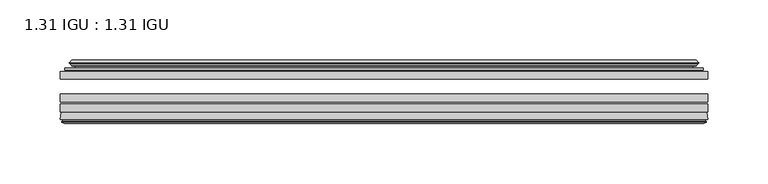
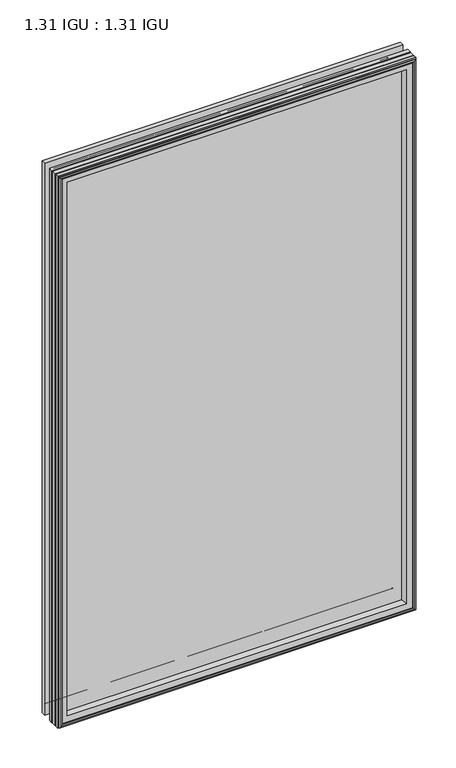
"""IFC4 building model written with IfcOpenShell, lengths in millimetres: plate geometry, 1.31 IGU : 1.31 IGU."""

from ifc_helpers import new_model, si_unit, frame, origin, place, context, project, spatial, polyline, ellipse_curve, outline, extrude, source, transform, mapped, element, save
from ifc_brep_helpers import plane_surface, cylinder_surface, revolved_surface, advanced_brep


def plate_1_31_igu_1_31_igu_a2a8deb7(model_context):
    return source(origin(), model_context, "Body", "SolidModel", [
        extrude(outline(polyline([(268.2205532, -51.7723437), (268.2205532, -58.1223438), (-268.2875, -58.1223438), (-268.2875, -51.7723437), (268.2205532, -51.7723437)])), frame((0.0, 0.0, -14.2875), z_axis=(0.0, 0.0, 1.0), x_axis=(1.0, 0.0, 0.0)), (0.0, 0.0, 1.0), 873.125),
        extrude(outline(polyline([(-268.2875, -85.4273438), (-268.2875, -79.0773437), (268.2205532, -79.0773437), (268.2205532, -85.4273438), (-268.2875, -85.4273438)])), frame((0.0, 0.0, -14.2875), z_axis=(0.0, 0.0, 1.0), x_axis=(1.0, 0.0, 0.0)), (0.0, 0.0, 1.0), 873.125),
        extrude(outline(polyline([(-268.2875, -77.1723438), (-268.2875, -70.8223438), (268.2205532, -70.8223438), (268.2205532, -77.1723438), (-268.2875, -77.1723438)])), frame((0.0, 0.0, -14.2875), z_axis=(0.0, 0.0, 1.0), x_axis=(1.0, 0.0, 0.0)), (0.0, 0.0, 1.0), 873.125),
        advanced_brep(
        [(-268.3002, -91.7773437, 858.8502), (-267.6054162, -86.1187838, 858.1554162), (-267.6054162, -86.1187838, -13.6054162), (-268.3002, -91.7773437, -14.3002), (-265.9126, -93.768408, 856.4626), (-266.3698, -91.7773437, 856.9198), (-266.3698, -91.7773437, -12.3698), (-265.9126, -93.768408, -11.9126), (-266.9139619, -93.5000939, 857.4639619), (-266.9139619, -93.5000939, -12.9139619), (-267.1572, -94.407871, 857.7072), (-267.1572, -94.407871, -13.1572), (-265.1252, -94.9523437, 855.6752), (-265.1252, -94.9523437, -11.1252), (-263.0932, -94.407871, 853.6432), (-263.0932, -94.407871, -9.0932), (-263.3364381, -93.5000939, 853.8864381), (-263.3364381, -93.5000939, -9.3364381), (-264.3378, -93.768408, 854.8878), (-264.3378, -93.768408, -10.3378), (-263.8806, -91.7773437, 854.4306), (-263.8806, -91.7773437, -9.8806), (-249.8109786, -85.4273437, 840.3609786), (-254.0, -91.7773437, 844.55), (-254.0, -91.7773437, 0.0), (-249.8109786, -85.4273437, 4.1890214), (-266.8238854, -85.4273437, 857.3738854), (-266.8238854, -85.4273437, -12.8238854), (267.6054162, -86.1187838, -13.6054162), (268.3002, -91.7773437, -14.3002), (266.3698, -91.7773437, -12.3698), (265.9126, -93.768408, -11.9126), (266.9139619, -93.5000939, -12.9139619), (267.1572, -94.407871, -13.1572), (265.1252, -94.9523437, -11.1252), (263.0932, -94.407871, -9.0932), (263.3364381, -93.5000939, -9.3364381), (264.3378, -93.768408, -10.3378), (263.8806, -91.7773437, -9.8806), (254.0, -91.7773437, 0.0), (249.8109786, -85.4273437, 4.1890214), (266.8238854, -85.4273437, -12.8238854), (267.6054162, -86.1187838, 858.1554162), (268.3002, -91.7773437, 858.8502), (266.3698, -91.7773437, 856.9198), (265.9126, -93.768408, 856.4626), (266.9139619, -93.5000939, 857.4639619), (267.1572, -94.407871, 857.7072), (265.1252, -94.9523437, 855.6752), (263.0932, -94.407871, 853.6432), (263.3364381, -93.5000939, 853.8864381), (264.3378, -93.768408, 854.8878), (263.8806, -91.7773437, 854.4306), (254.0, -91.7773437, 844.55), (249.8109786, -85.4273437, 840.3609786), (266.8238854, -85.4273437, 857.3738854)],
        [
            (0, 1),
            (1, 2),
            (2, 3),
            (3, 0),
            (4, 5),
            (5, 6),
            (6, 7),
            (7, 4),
            (8, 4),
            (7, 9),
            (9, 8),
            (10, 8),
            (9, 11),
            (11, 10),
            (12, 10),
            (11, 13),
            (13, 12),
            (14, 12),
            (13, 15),
            (15, 14),
            (16, 14),
            (15, 17),
            (17, 16),
            (18, 16),
            (17, 19),
            (19, 18),
            (20, 18),
            (19, 21),
            (21, 20),
            (22, 23, ellipse_curve(frame((-247.016106, -91.8278132, 837.566106), z_axis=(0.7071067811865475, 0.0, 0.7071067811865475), x_axis=(0.7071067811865474, 0.0, -0.7071067811865476)), 9.8769754, 6.9840763)),
            (23, 24),
            (24, 25, ellipse_curve(frame((-247.016106, -91.8278132, 6.983894), z_axis=(0.7071067811865475, 0.0, -0.7071067811865475), x_axis=(-0.7071067811865474, 0.0, -0.7071067811865476)), 9.8769754, 6.9840763)),
            (25, 22),
            (1, 26, ellipse_curve(frame((-266.8238854, -86.2147437, 857.3738854), z_axis=(-0.7071067811865475, 0.0, -0.7071067811865475), x_axis=(-0.7071067811865474, 0.0, 0.7071067811865476)), 1.1135518, 0.7874)),
            (26, 27),
            (27, 2, ellipse_curve(frame((-266.8238854, -86.2147437, -12.8238854), z_axis=(-0.7071067811865475, 0.0, 0.7071067811865475), x_axis=(0.7071067811865474, 0.0, 0.7071067811865476)), 1.1135518, 0.7874)),
            (2, 28),
            (28, 29),
            (29, 3),
            (6, 30),
            (30, 31),
            (31, 7),
            (31, 32),
            (32, 9),
            (32, 33),
            (33, 11),
            (33, 34),
            (34, 13),
            (34, 35),
            (35, 15),
            (35, 36),
            (36, 17),
            (36, 37),
            (37, 19),
            (37, 38),
            (38, 21),
            (24, 39),
            (39, 40, ellipse_curve(frame((247.016106, -91.8278132, 6.983894), z_axis=(0.7071067811865475, 0.0, 0.7071067811865475), x_axis=(0.7071067811865476, 0.0, -0.7071067811865474)), 9.8769754, 6.9840763)),
            (40, 25),
            (27, 41),
            (41, 28, ellipse_curve(frame((266.8238854, -86.2147437, -12.8238854), z_axis=(-0.7071067811865475, 0.0, -0.7071067811865475), x_axis=(-0.7071067811865476, 0.0, 0.7071067811865474)), 1.1135518, 0.7874)),
            (28, 42),
            (42, 43),
            (43, 29),
            (30, 44),
            (44, 45),
            (45, 31),
            (45, 46),
            (46, 32),
            (46, 47),
            (47, 33),
            (47, 48),
            (48, 34),
            (48, 49),
            (49, 35),
            (49, 50),
            (50, 36),
            (50, 51),
            (51, 37),
            (51, 52),
            (52, 38),
            (39, 53),
            (53, 54, ellipse_curve(frame((247.016106, -91.8278132, 837.566106), z_axis=(-0.7071067811865475, 0.0, 0.7071067811865475), x_axis=(0.7071067811865474, 0.0, 0.7071067811865476)), 9.8769754, 6.9840763)),
            (54, 40),
            (41, 55),
            (55, 42, ellipse_curve(frame((266.8238854, -86.2147437, 857.3738854), z_axis=(0.7071067811865475, 0.0, -0.7071067811865475), x_axis=(-0.7071067811865474, 0.0, -0.7071067811865476)), 1.1135518, 0.7874)),
            (42, 1),
            (0, 43),
            (5, 44),
            (4, 45),
            (8, 46),
            (10, 47),
            (12, 48),
            (14, 49),
            (16, 50),
            (18, 51),
            (20, 52),
            (23, 53),
            (22, 54),
            (26, 55),
        ],
        [
            plane_surface(frame((-267.6054162, -86.1187838, 858.1554162), z_axis=(-0.9925461516413241, 0.12186934340513107, 0.0), x_axis=(0.0, 0.0, -1.0))),
            plane_surface(frame((-266.3698, -91.7773437, 856.9198), z_axis=(-0.9746347637895992, -0.2238014236165451, 0.0), x_axis=(0.0, 0.0, -1.0))),
            plane_surface(frame((-265.9126, -93.768408, 856.4626), z_axis=(0.2588190451026679, 0.9659258262890289, 0.0), x_axis=(0.0, 0.0, -1.0))),
            plane_surface(frame((-266.9139619, -93.5000939, 857.4639619), z_axis=(-0.9659258262890449, 0.25881904510260834, 0.0), x_axis=(0.0, 0.0, -1.0))),
            plane_surface(frame((-267.1572, -94.407871, 857.7072), z_axis=(-0.2588190451025046, -0.9659258262890726, 0.0), x_axis=(0.0, 0.0, -1.0))),
            plane_surface(frame((-265.1252, -94.9523437, 855.6752), z_axis=(0.25881904510247894, -0.9659258262890795, 0.0), x_axis=(0.0, 0.0, -1.0))),
            plane_surface(frame((-263.0932, -94.407871, 853.6432), z_axis=(0.9659258262890272, 0.258819045102674, 0.0), x_axis=(0.0, 0.0, -1.0))),
            plane_surface(frame((-263.3364381, -93.5000939, 853.8864381), z_axis=(-0.2588190451023417, 0.9659258262891163, 0.0), x_axis=(0.0, 0.0, -1.0))),
            plane_surface(frame((-264.3378, -93.768408, 854.8878), z_axis=(0.9746347637895936, -0.2238014236165695, 0.0), x_axis=(0.0, 0.0, -1.0))),
            revolved_surface(polyline([(-254.0001823, -91.8278132, -0.00018228295277822326), (-254.0001823, -91.8278132, 844.5501822829527)]), (-247.016106, -91.8278132, 876.3), (0.0, 0.0, -1.0)),
            cylinder_surface(frame((-266.8238854, -86.2147437, 876.3), z_axis=(0.0, 0.0, 1.0), x_axis=(-1.0, 0.0, 0.0)), 0.7874),
            plane_surface(frame((-267.6054162, -86.1187838, -13.6054162), z_axis=(0.0, 0.12186934340512784, -0.9925461516413245), x_axis=(1.0, 0.0, 0.0))),
            plane_surface(frame((-266.3698, -91.7773437, -12.3698), z_axis=(0.0, -0.22380142361654826, -0.9746347637895985), x_axis=(1.0, 0.0, 0.0))),
            plane_surface(frame((-265.9126, -93.768408, -11.9126), z_axis=(0.0, 0.9659258262890298, 0.25881904510266474), x_axis=(1.0, 0.0, 0.0))),
            plane_surface(frame((-266.9139619, -93.5000939, -12.9139619), z_axis=(0.0, 0.25881904510260517, -0.9659258262890458), x_axis=(1.0, 0.0, 0.0))),
            plane_surface(frame((-267.1572, -94.407871, -13.1572), z_axis=(0.0, -0.9659258262890735, -0.2588190451025014), x_axis=(1.0, 0.0, 0.0))),
            plane_surface(frame((-265.1252, -94.9523437, -11.1252), z_axis=(0.0, -0.9659258262890786, 0.2588190451024821), x_axis=(1.0, 0.0, 0.0))),
            plane_surface(frame((-263.0932, -94.407871, -9.0932), z_axis=(0.0, 0.2588190451026772, 0.9659258262890265), x_axis=(1.0, 0.0, 0.0))),
            plane_surface(frame((-263.3364381, -93.5000939, -9.3364381), z_axis=(0.0, 0.9659258262891154, -0.2588190451023449), x_axis=(1.0, 0.0, 0.0))),
            plane_surface(frame((-264.3378, -93.768408, -10.3378), z_axis=(0.0, -0.22380142361656633, 0.9746347637895943), x_axis=(1.0, 0.0, 0.0))),
            revolved_surface(polyline([(254.00018228295278, -91.8278132, -0.00018229999999963553), (-254.00018228295272, -91.8278132, -0.00018229999999963553)]), (-285.75, -91.8278132, 6.983894), (1.0, 0.0, 0.0)),
            cylinder_surface(frame((-285.75, -86.2147437, -12.8238854), z_axis=(-1.0, 0.0, 0.0), x_axis=(0.0, 0.0, -1.0)), 0.7874),
            plane_surface(frame((267.6054162, -86.1187838, -13.6054162), z_axis=(0.992546151641325, 0.1218693434051246, 0.0), x_axis=(0.0, 0.0, 1.0))),
            plane_surface(frame((266.3698, -91.7773437, -12.3698), z_axis=(0.9746347637895977, -0.22380142361655142, 0.0), x_axis=(0.0, 0.0, 1.0))),
            plane_surface(frame((265.9126, -93.768408, -11.9126), z_axis=(-0.25881904510266157, 0.9659258262890307, 0.0), x_axis=(0.0, 0.0, 1.0))),
            plane_surface(frame((266.9139619, -93.5000939, -12.9139619), z_axis=(0.9659258262890467, 0.258819045102602, 0.0), x_axis=(0.0, 0.0, 1.0))),
            plane_surface(frame((267.1572, -94.407871, -13.1572), z_axis=(0.25881904510249826, -0.9659258262890744, 0.0), x_axis=(0.0, 0.0, 1.0))),
            plane_surface(frame((265.1252, -94.9523437, -11.1252), z_axis=(-0.2588190451024853, -0.9659258262890779, 0.0), x_axis=(0.0, 0.0, 1.0))),
            plane_surface(frame((263.0932, -94.407871, -9.0932), z_axis=(-0.9659258262890256, 0.2588190451026804, 0.0), x_axis=(0.0, 0.0, 1.0))),
            plane_surface(frame((263.3364381, -93.5000939, -9.3364381), z_axis=(0.2588190451023481, 0.9659258262891146, 0.0), x_axis=(0.0, 0.0, 1.0))),
            plane_surface(frame((264.3378, -93.768408, -10.3378), z_axis=(-0.9746347637895951, -0.22380142361656316, 0.0), x_axis=(0.0, 0.0, 1.0))),
            revolved_surface(polyline([(254.0001823, -91.8278132, 844.5501822829527), (254.0001823, -91.8278132, -0.0001822829527107217)]), (247.016106, -91.8278132, -31.75), (0.0, 0.0, 1.0)),
            cylinder_surface(frame((266.8238854, -86.2147437, -31.75), z_axis=(0.0, 0.0, -1.0), x_axis=(1.0, 0.0, 0.0)), 0.7874),
            plane_surface(frame((267.6054162, -86.1187838, 858.1554162), z_axis=(0.0, 0.12186934340512784, 0.9925461516413245), x_axis=(-1.0, 0.0, 0.0))),
            plane_surface(frame((268.3002, -91.7773437, 858.8502), z_axis=(0.0, -1.0, 0.0), x_axis=(-1.0, 0.0, 0.0))),
            plane_surface(frame((266.3698, -91.7773437, 856.9198), z_axis=(0.0, -0.22380142361654826, 0.9746347637895985), x_axis=(-1.0, 0.0, 0.0))),
            plane_surface(frame((265.9126, -93.768408, 856.4626), z_axis=(0.0, 0.9659258262890298, -0.25881904510266474), x_axis=(-1.0, 0.0, 0.0))),
            plane_surface(frame((266.9139619, -93.5000939, 857.4639619), z_axis=(0.0, 0.25881904510260517, 0.9659258262890458), x_axis=(-1.0, 0.0, 0.0))),
            plane_surface(frame((267.1572, -94.407871, 857.7072), z_axis=(0.0, -0.9659258262890735, 0.2588190451025014), x_axis=(-1.0, 0.0, 0.0))),
            plane_surface(frame((265.1252, -94.9523437, 855.6752), z_axis=(0.0, -0.9659258262890787, -0.25881904510248216), x_axis=(-1.0, 0.0, 0.0))),
            plane_surface(frame((263.0932, -94.407871, 853.6432), z_axis=(0.0, 0.2588190451026772, -0.9659258262890265), x_axis=(-1.0, 0.0, 0.0))),
            plane_surface(frame((263.3364381, -93.5000939, 853.8864381), z_axis=(0.0, 0.9659258262891155, 0.25881904510234494), x_axis=(-1.0, 0.0, 0.0))),
            plane_surface(frame((264.3378, -93.768408, 854.8878), z_axis=(0.0, -0.22380142361656633, -0.9746347637895943), x_axis=(-1.0, 0.0, 0.0))),
            plane_surface(frame((263.8806, -91.7773437, 854.4306), z_axis=(0.0, -1.0, 0.0), x_axis=(-1.0, 0.0, 0.0))),
            revolved_surface(polyline([(-254.00018228295278, -91.8278132, 844.5501823), (254.00018228295272, -91.8278132, 844.5501823)]), (285.75, -91.8278132, 837.566106), (-1.0, 0.0, 0.0)),
            plane_surface(frame((249.8109786, -85.4273437, 840.3609786), z_axis=(0.0, 1.0, 0.0), x_axis=(-1.0, 0.0, 0.0))),
            cylinder_surface(frame((285.75, -86.2147437, 857.3738854), z_axis=(1.0, 0.0, 0.0), x_axis=(0.0, 0.0, 1.0)), 0.7874),
        ],
        [
            (0, [[1, 2, 3, 4]]),
            (1, [[5, 6, 7, 8]]),
            (2, [[9, -8, 10, 11]]),
            (3, [[12, -11, 13, 14]]),
            (4, [[15, -14, 16, 17]]),
            (5, [[18, -17, 19, 20]]),
            (6, [[21, -20, 22, 23]]),
            (7, [[24, -23, 25, 26]]),
            (8, [[27, -26, 28, 29]]),
            (9, [[30, 31, 32, 33]]),
            (10, [[34, 35, 36, -2]]),
            (11, [[-3, 37, 38, 39]]),
            (12, [[-7, 40, 41, 42]]),
            (13, [[-10, -42, 43, 44]]),
            (14, [[-13, -44, 45, 46]]),
            (15, [[-16, -46, 47, 48]]),
            (16, [[-19, -48, 49, 50]]),
            (17, [[-22, -50, 51, 52]]),
            (18, [[-25, -52, 53, 54]]),
            (19, [[-28, -54, 55, 56]]),
            (20, [[-32, 57, 58, 59]]),
            (21, [[-36, 60, 61, -37]]),
            (22, [[-38, 62, 63, 64]]),
            (23, [[-41, 65, 66, 67]]),
            (24, [[-43, -67, 68, 69]]),
            (25, [[-45, -69, 70, 71]]),
            (26, [[-47, -71, 72, 73]]),
            (27, [[-49, -73, 74, 75]]),
            (28, [[-51, -75, 76, 77]]),
            (29, [[-53, -77, 78, 79]]),
            (30, [[-55, -79, 80, 81]]),
            (31, [[-58, 82, 83, 84]]),
            (32, [[-61, 85, 86, -62]]),
            (33, [[-63, 87, -1, 88]]),
            (34, [[-39, -64, -88, -4], [89, -65, -40, -6]]),
            (35, [[-66, -89, -5, 90]]),
            (36, [[-68, -90, -9, 91]]),
            (37, [[-70, -91, -12, 92]]),
            (38, [[-72, -92, -15, 93]]),
            (39, [[-74, -93, -18, 94]]),
            (40, [[-76, -94, -21, 95]]),
            (41, [[-78, -95, -24, 96]]),
            (42, [[-80, -96, -27, 97]]),
            (43, [[-56, -81, -97, -29], [98, -82, -57, -31]]),
            (44, [[-83, -98, -30, 99]]),
            (45, [[100, -85, -60, -35], [-59, -84, -99, -33]]),
            (46, [[-86, -100, -34, -87]]),
        ],
    ),
        advanced_brep(
        [(-249.9522902, -50.6812421, 840.5022902), (-250.3941004, -51.7723437, 840.9441004), (-250.3941004, -51.7723437, 3.6058996), (-249.9522902, -50.6812421, 4.0477098), (-254.0, -42.9585437, 844.55), (-254.0, -42.9585437, 0.0), (-259.1859109, -44.1396428, 849.7359109), (-259.1859109, -44.1396428, -5.1859109), (-258.8563356, -43.3125262, 849.4063356), (-258.8563356, -43.3125262, -4.8563356), (-258.8563356, -42.4982749, 849.4063356), (-258.8563356, -42.4982749, -4.8563356), (-260.6726111, -44.4569108, 851.2226111), (-260.6726111, -44.4569108, -6.6726111), (-260.6726111, -45.1700367, 851.2226111), (-260.6726111, -45.1700367, -6.6726111), (-258.8563356, -47.1188911, 849.4063356), (-258.8563356, -47.1188911, -4.8563356), (-258.8563356, -46.3144213, 849.4063356), (-258.8563356, -46.3144213, -4.8563356), (-259.1782501, -45.5065305, 849.7282501), (-259.1782501, -45.5065305, -5.1782501), (-256.6544379, -45.3481387, 847.2044379), (-256.6544379, -45.3481387, -2.6544379), (-255.6286217, -46.0358481, 846.1786217), (-255.6286217, -46.0358481, -1.6286217), (-255.7470288, -47.4303169, 846.2970288), (-255.7470288, -47.4303169, -1.7470288), (-256.3487748, -48.9275437, 846.8987748), (-256.3487748, -48.9275437, -2.3487748), (-264.2745553, -50.8359667, 854.8245553), (-263.7889245, -48.9275437, 854.3389245), (-263.7889245, -48.9275437, -9.7889245), (-264.2745553, -50.8359667, -10.2745553), (-262.5538155, -51.7723437, 853.1038155), (-262.5538155, -51.7723437, -8.5538155), (250.3941004, -51.7723437, 3.6058996), (249.9522902, -50.6812421, 4.0477098), (254.0, -42.9585437, 0.0), (259.1859109, -44.1396428, -5.1859109), (258.8563356, -43.3125262, -4.8563356), (258.8563356, -42.4982749, -4.8563356), (260.6726111, -44.4569108, -6.6726111), (260.6726111, -45.1700367, -6.6726111), (258.8563356, -47.1188911, -4.8563356), (258.8563356, -46.3144213, -4.8563356), (259.1782501, -45.5065305, -5.1782501), (256.6544379, -45.3481387, -2.6544379), (255.6286217, -46.0358481, -1.6286217), (255.7470288, -47.4303169, -1.7470288), (256.3487748, -48.9275437, -2.3487748), (263.7889245, -48.9275437, -9.7889245), (264.2745553, -50.8359667, -10.2745553), (262.5538155, -51.7723437, -8.5538155), (250.3941004, -51.7723437, 840.9441004), (249.9522902, -50.6812421, 840.5022902), (254.0, -42.9585437, 844.55), (259.1859109, -44.1396428, 849.7359109), (258.8563356, -43.3125262, 849.4063356), (258.8563356, -42.4982749, 849.4063356), (260.6726111, -44.4569108, 851.2226111), (260.6726111, -45.1700367, 851.2226111), (258.8563356, -47.1188911, 849.4063356), (258.8563356, -46.3144213, 849.4063356), (259.1782501, -45.5065305, 849.7282501), (256.6544379, -45.3481387, 847.2044379), (255.6286217, -46.0358481, 846.1786217), (255.7470288, -47.4303169, 846.2970288), (256.3487748, -48.9275437, 846.8987748), (263.7889245, -48.9275437, 854.3389245), (264.2745553, -50.8359667, 854.8245553), (262.5538155, -51.7723437, 853.1038155)],
        [
            (0, 1, ellipse_curve(frame((-250.3941004, -51.1373437, 840.9441004), z_axis=(-0.7071067811865475, 0.0, -0.7071067811865475), x_axis=(-0.7071067811865474, 0.0, 0.7071067811865476)), 0.8980256, 0.635)),
            (1, 2),
            (2, 3, ellipse_curve(frame((-250.3941004, -51.1373437, 3.6058996), z_axis=(-0.7071067811865475, 0.0, 0.7071067811865475), x_axis=(0.7071067811865474, 0.0, 0.7071067811865476)), 0.8980256, 0.635)),
            (3, 0),
            (4, 0, ellipse_curve(frame((-240.2672054, -40.6828682, 830.8172054), z_axis=(0.7071067811865475, 0.0, 0.7071067811865475), x_axis=(0.7071067811865474, 0.0, -0.7071067811865476)), 19.6859517, 13.9200699)),
            (3, 5, ellipse_curve(frame((-240.2672054, -40.6828682, 13.7327946), z_axis=(0.7071067811865475, 0.0, -0.7071067811865475), x_axis=(-0.7071067811865474, 0.0, -0.7071067811865476)), 19.6859517, 13.9200699)),
            (5, 4),
            (6, 4),
            (5, 7),
            (7, 6),
            (8, 6),
            (7, 9),
            (9, 8),
            (10, 8),
            (9, 11),
            (11, 10),
            (12, 10),
            (11, 13),
            (13, 12),
            (14, 12, ellipse_curve(frame((-260.3107729, -44.8134737, 850.8607729), z_axis=(-0.7071067811865475, 0.0, -0.7071067811865475), x_axis=(-0.7071067811865474, 0.0, 0.7071067811865476)), 0.7184205, 0.508)),
            (13, 15, ellipse_curve(frame((-260.3107729, -44.8134737, -6.3107729), z_axis=(-0.7071067811865475, 0.0, 0.7071067811865475), x_axis=(0.7071067811865474, 0.0, 0.7071067811865476)), 0.7184205, 0.508)),
            (15, 14),
            (16, 14),
            (15, 17),
            (17, 16),
            (18, 16),
            (17, 19),
            (19, 18),
            (20, 18),
            (19, 21),
            (21, 20),
            (22, 20),
            (21, 23),
            (23, 22),
            (24, 22, ellipse_curve(frame((-256.5908, -46.3621437, 847.1408), z_axis=(0.7071067811865475, 0.0, 0.7071067811865475), x_axis=(0.7071067811865474, 0.0, -0.7071067811865476)), 1.436841, 1.016)),
            (23, 25, ellipse_curve(frame((-256.5908, -46.3621437, -2.5908), z_axis=(0.7071067811865475, 0.0, -0.7071067811865475), x_axis=(-0.7071067811865474, 0.0, -0.7071067811865476)), 1.436841, 1.016)),
            (25, 24),
            (26, 24, ellipse_curve(frame((-257.9624, -46.5399437, 848.5124), z_axis=(0.7071067811865475, 0.0, 0.7071067811865475), x_axis=(0.7071067811865474, 0.0, -0.7071067811865476)), 3.3765763, 2.3876)),
            (25, 27, ellipse_curve(frame((-257.9624, -46.5399437, -3.9624), z_axis=(0.7071067811865475, 0.0, -0.7071067811865475), x_axis=(-0.7071067811865474, 0.0, -0.7071067811865476)), 3.3765763, 2.3876)),
            (27, 26),
            (28, 26),
            (27, 29),
            (29, 28),
            (30, 31, ellipse_curve(frame((-263.7889245, -49.9435437, 854.3389245), z_axis=(-0.7071067811865475, 0.0, -0.7071067811865475), x_axis=(-0.7071067811865474, 0.0, 0.7071067811865476)), 1.436841, 1.016)),
            (31, 32),
            (32, 33, ellipse_curve(frame((-263.7889245, -49.9435437, -9.7889245), z_axis=(-0.7071067811865475, 0.0, 0.7071067811865475), x_axis=(0.7071067811865474, 0.0, 0.7071067811865476)), 1.436841, 1.016)),
            (33, 30),
            (34, 30),
            (33, 35),
            (35, 34),
            (2, 36),
            (36, 37, ellipse_curve(frame((250.3941004, -51.1373437, 3.6058996), z_axis=(-0.7071067811865475, 0.0, -0.7071067811865475), x_axis=(-0.7071067811865476, 0.0, 0.7071067811865474)), 0.8980256, 0.635)),
            (37, 3),
            (37, 38, ellipse_curve(frame((240.2672054, -40.6828682, 13.7327946), z_axis=(0.7071067811865475, 0.0, 0.7071067811865475), x_axis=(0.7071067811865476, 0.0, -0.7071067811865474)), 19.6859517, 13.9200699)),
            (38, 5),
            (38, 39),
            (39, 7),
            (39, 40),
            (40, 9),
            (40, 41),
            (41, 11),
            (41, 42),
            (42, 13),
            (42, 43, ellipse_curve(frame((260.3107729, -44.8134737, -6.3107729), z_axis=(-0.7071067811865475, 0.0, -0.7071067811865475), x_axis=(-0.7071067811865476, 0.0, 0.7071067811865474)), 0.7184205, 0.508)),
            (43, 15),
            (43, 44),
            (44, 17),
            (44, 45),
            (45, 19),
            (45, 46),
            (46, 21),
            (46, 47),
            (47, 23),
            (47, 48, ellipse_curve(frame((256.5908, -46.3621437, -2.5908), z_axis=(0.7071067811865475, 0.0, 0.7071067811865475), x_axis=(0.7071067811865476, 0.0, -0.7071067811865474)), 1.436841, 1.016)),
            (48, 25),
            (48, 49, ellipse_curve(frame((257.9624, -46.5399437, -3.9624), z_axis=(0.7071067811865475, 0.0, 0.7071067811865475), x_axis=(0.7071067811865476, 0.0, -0.7071067811865474)), 3.3765763, 2.3876)),
            (49, 27),
            (49, 50),
            (50, 29),
            (32, 51),
            (51, 52, ellipse_curve(frame((263.7889245, -49.9435437, -9.7889245), z_axis=(-0.7071067811865475, 0.0, -0.7071067811865475), x_axis=(-0.7071067811865476, 0.0, 0.7071067811865474)), 1.436841, 1.016)),
            (52, 33),
            (52, 53),
            (53, 35),
            (36, 54),
            (54, 55, ellipse_curve(frame((250.3941004, -51.1373437, 840.9441004), z_axis=(0.7071067811865475, 0.0, -0.7071067811865475), x_axis=(-0.7071067811865474, 0.0, -0.7071067811865476)), 0.8980256, 0.635)),
            (55, 37),
            (55, 56, ellipse_curve(frame((240.2672054, -40.6828682, 830.8172054), z_axis=(-0.7071067811865475, 0.0, 0.7071067811865475), x_axis=(0.7071067811865474, 0.0, 0.7071067811865476)), 19.6859517, 13.9200699)),
            (56, 38),
            (56, 57),
            (57, 39),
            (57, 58),
            (58, 40),
            (58, 59),
            (59, 41),
            (59, 60),
            (60, 42),
            (60, 61, ellipse_curve(frame((260.3107729, -44.8134737, 850.8607729), z_axis=(0.7071067811865475, 0.0, -0.7071067811865475), x_axis=(-0.7071067811865474, 0.0, -0.7071067811865476)), 0.7184205, 0.508)),
            (61, 43),
            (61, 62),
            (62, 44),
            (62, 63),
            (63, 45),
            (63, 64),
            (64, 46),
            (64, 65),
            (65, 47),
            (65, 66, ellipse_curve(frame((256.5908, -46.3621437, 847.1408), z_axis=(-0.7071067811865475, 0.0, 0.7071067811865475), x_axis=(0.7071067811865474, 0.0, 0.7071067811865476)), 1.436841, 1.016)),
            (66, 48),
            (66, 67, ellipse_curve(frame((257.9624, -46.5399437, 848.5124), z_axis=(-0.7071067811865475, 0.0, 0.7071067811865475), x_axis=(0.7071067811865474, 0.0, 0.7071067811865476)), 3.3765763, 2.3876)),
            (67, 49),
            (67, 68),
            (68, 50),
            (51, 69),
            (69, 70, ellipse_curve(frame((263.7889245, -49.9435437, 854.3389245), z_axis=(0.7071067811865475, 0.0, -0.7071067811865475), x_axis=(-0.7071067811865474, 0.0, -0.7071067811865476)), 1.436841, 1.016)),
            (70, 52),
            (70, 71),
            (71, 53),
            (54, 1),
            (0, 55),
            (4, 56),
            (6, 57),
            (8, 58),
            (10, 59),
            (12, 60),
            (14, 61),
            (16, 62),
            (18, 63),
            (20, 64),
            (22, 65),
            (24, 66),
            (26, 67),
            (28, 68),
            (31, 69),
            (30, 70),
            (34, 71),
        ],
        [
            cylinder_surface(frame((-250.3941004, -51.1373437, 876.3), z_axis=(0.0, 0.0, 1.0), x_axis=(-1.0, 0.0, 0.0)), 0.635),
            revolved_surface(polyline([(-254.18727529999998, -40.6828682, -0.18727534118079348), (-254.18727529999998, -40.6828682, 844.7372753411809)]), (-240.2672054, -40.6828682, 876.3), (0.0, 0.0, -1.0)),
            plane_surface(frame((-254.0, -42.9585437, 844.55), z_axis=(-0.22206498442778802, 0.9750318675259215, 0.0), x_axis=(0.0, 0.0, -1.0))),
            plane_surface(frame((-259.1859109, -44.1396428, 849.7359109), z_axis=(0.9289682685629942, -0.3701593656833133, 0.0), x_axis=(0.0, 0.0, -1.0))),
            plane_surface(frame((-258.8563356, -43.3125262, 849.4063356), z_axis=(1.0, 0.0, 0.0), x_axis=(0.0, 0.0, -1.0))),
            plane_surface(frame((-258.8563356, -42.4982749, 849.4063356), z_axis=(-0.7332521292723948, 0.6799568478348456, 0.0), x_axis=(0.0, 0.0, -1.0))),
            cylinder_surface(frame((-260.3107729, -44.8134737, 876.3), z_axis=(0.0, 0.0, 1.0), x_axis=(-1.0, 0.0, 0.0)), 0.508),
            plane_surface(frame((-260.6726111, -45.1700367, 851.2226111), z_axis=(-0.7315522693036389, -0.6817853601220082, 0.0), x_axis=(0.0, 0.0, -1.0))),
            plane_surface(frame((-258.8563356, -47.1188911, 849.4063356), z_axis=(1.0, 0.0, 0.0), x_axis=(0.0, 0.0, -1.0))),
            plane_surface(frame((-258.8563356, -46.3144213, 849.4063356), z_axis=(0.9289682685631103, 0.37015936568302166, 0.0), x_axis=(0.0, 0.0, -1.0))),
            plane_surface(frame((-259.1782501, -45.5065305, 849.7282501), z_axis=(0.06263570119321643, -0.9980364567169048, 0.0), x_axis=(0.0, 0.0, -1.0))),
            revolved_surface(polyline([(-257.6068, -46.3621437, -3.606800014586838), (-257.6068, -46.3621437, 848.1568000145869)]), (-256.5908, -46.3621437, 876.3), (0.0, 0.0, -1.0)),
            revolved_surface(polyline([(-260.35, -46.5399437, -6.3499999989237494), (-260.35, -46.5399437, 850.8999999989237)]), (-257.9624, -46.5399437, 876.3), (0.0, 0.0, -1.0)),
            plane_surface(frame((-255.7470288, -47.4303169, 846.2970288), z_axis=(-0.927865292542892, 0.3729155385530262, 0.0), x_axis=(0.0, 0.0, -1.0))),
            cylinder_surface(frame((-263.7889245, -49.9435437, 876.3), z_axis=(0.0, 0.0, 1.0), x_axis=(-1.0, 0.0, 0.0)), 1.016),
            plane_surface(frame((-264.2745553, -50.8359667, 854.8245553), z_axis=(-0.477983117370979, -0.8783690223979446, 0.0), x_axis=(0.0, 0.0, -1.0))),
            cylinder_surface(frame((-285.75, -51.1373437, 3.6058996), z_axis=(-1.0, 0.0, 0.0), x_axis=(0.0, 0.0, -1.0)), 0.635),
            revolved_surface(polyline([(254.1872753411808, -40.6828682, -0.1872752999999996), (-254.18727534118085, -40.6828682, -0.1872752999999996)]), (-285.75, -40.6828682, 13.7327946), (1.0, 0.0, 0.0)),
            plane_surface(frame((-254.0, -42.9585437, 0.0), z_axis=(0.0, 0.9750318675259209, -0.2220649844277912), x_axis=(1.0, 0.0, 0.0))),
            plane_surface(frame((-259.1859109, -44.1396428, -5.1859109), z_axis=(0.0, -0.3701593656833103, 0.9289682685629954), x_axis=(1.0, 0.0, 0.0))),
            plane_surface(frame((-258.8563356, -43.3125262, -4.8563356), z_axis=(0.0, 0.0, 1.0), x_axis=(1.0, 0.0, 0.0))),
            plane_surface(frame((-258.8563356, -42.4982749, -4.8563356), z_axis=(0.0, 0.6799568478348431, -0.733252129272397), x_axis=(1.0, 0.0, 0.0))),
            cylinder_surface(frame((-285.75, -44.8134737, -6.3107729), z_axis=(-1.0, 0.0, 0.0), x_axis=(0.0, 0.0, -1.0)), 0.508),
            plane_surface(frame((-260.6726111, -45.1700367, -6.6726111), z_axis=(0.0, -0.6817853601220105, -0.7315522693036367), x_axis=(1.0, 0.0, 0.0))),
            plane_surface(frame((-258.8563356, -47.1188911, -4.8563356), z_axis=(0.0, 0.0, 1.0), x_axis=(1.0, 0.0, 0.0))),
            plane_surface(frame((-258.8563356, -46.3144213, -4.8563356), z_axis=(0.0, 0.37015936568302465, 0.9289682685631091), x_axis=(1.0, 0.0, 0.0))),
            plane_surface(frame((-259.1782501, -45.5065305, -5.1782501), z_axis=(0.0, -0.9980364567169046, 0.06263570119321968), x_axis=(1.0, 0.0, 0.0))),
            revolved_surface(polyline([(257.60680001458684, -46.3621437, -3.6068000000000002), (-257.60680001458684, -46.3621437, -3.6068000000000002)]), (-285.75, -46.3621437, -2.5908), (1.0, 0.0, 0.0)),
            revolved_surface(polyline([(260.34999999892375, -46.5399437, -6.35), (-260.3499999989238, -46.5399437, -6.35)]), (-285.75, -46.5399437, -3.9624), (1.0, 0.0, 0.0)),
            plane_surface(frame((-255.7470288, -47.4303169, -1.7470288), z_axis=(0.0, 0.37291553855302323, -0.9278652925428932), x_axis=(1.0, 0.0, 0.0))),
            cylinder_surface(frame((-285.75, -49.9435437, -9.7889245), z_axis=(-1.0, 0.0, 0.0), x_axis=(0.0, 0.0, -1.0)), 1.016),
            plane_surface(frame((-264.2745553, -50.8359667, -10.2745553), z_axis=(0.0, -0.8783690223979462, -0.47798311737097615), x_axis=(1.0, 0.0, 0.0))),
            cylinder_surface(frame((250.3941004, -51.1373437, -31.75), z_axis=(0.0, 0.0, -1.0), x_axis=(1.0, 0.0, 0.0)), 0.635),
            revolved_surface(polyline([(254.18727529999998, -40.6828682, 844.7372753411809), (254.18727529999998, -40.6828682, -0.1872753411808432)]), (240.2672054, -40.6828682, -31.75), (0.0, 0.0, 1.0)),
            plane_surface(frame((254.0, -42.9585437, 0.0), z_axis=(0.2220649844277944, 0.9750318675259202, 0.0), x_axis=(0.0, 0.0, 1.0))),
            plane_surface(frame((259.1859109, -44.1396428, -5.1859109), z_axis=(-0.9289682685629966, -0.3701593656833073, 0.0), x_axis=(0.0, 0.0, 1.0))),
            plane_surface(frame((258.8563356, -43.3125262, -4.8563356), z_axis=(-1.0, 0.0, 0.0), x_axis=(0.0, 0.0, 1.0))),
            plane_surface(frame((258.8563356, -42.4982749, -4.8563356), z_axis=(0.7332521292723992, 0.6799568478348407, 0.0), x_axis=(0.0, 0.0, 1.0))),
            cylinder_surface(frame((260.3107729, -44.8134737, -31.75), z_axis=(0.0, 0.0, -1.0), x_axis=(1.0, 0.0, 0.0)), 0.508),
            plane_surface(frame((260.6726111, -45.1700367, -6.6726111), z_axis=(0.7315522693036345, -0.6817853601220129, 0.0), x_axis=(0.0, 0.0, 1.0))),
            plane_surface(frame((258.8563356, -47.1188911, -4.8563356), z_axis=(-1.0, 0.0, 0.0), x_axis=(0.0, 0.0, 1.0))),
            plane_surface(frame((258.8563356, -46.3144213, -4.8563356), z_axis=(-0.928968268563108, 0.3701593656830277, 0.0), x_axis=(0.0, 0.0, 1.0))),
            plane_surface(frame((259.1782501, -45.5065305, -5.1782501), z_axis=(-0.06263570119322293, -0.9980364567169043, 0.0), x_axis=(0.0, 0.0, 1.0))),
            revolved_surface(polyline([(257.6068, -46.3621437, 848.1568000145869), (257.6068, -46.3621437, -3.606800014586863)]), (256.5908, -46.3621437, -31.75), (0.0, 0.0, 1.0)),
            revolved_surface(polyline([(260.35, -46.5399437, 850.8999999989237), (260.35, -46.5399437, -6.349999998923781)]), (257.9624, -46.5399437, -31.75), (0.0, 0.0, 1.0)),
            plane_surface(frame((255.7470288, -47.4303169, -1.7470288), z_axis=(0.9278652925428944, 0.37291553855302023, 0.0), x_axis=(0.0, 0.0, 1.0))),
            cylinder_surface(frame((263.7889245, -49.9435437, -31.75), z_axis=(0.0, 0.0, -1.0), x_axis=(1.0, 0.0, 0.0)), 1.016),
            plane_surface(frame((264.2745553, -50.8359667, -10.2745553), z_axis=(0.47798311737097327, -0.8783690223979478, 0.0), x_axis=(0.0, 0.0, 1.0))),
            cylinder_surface(frame((285.75, -51.1373437, 840.9441004), z_axis=(1.0, 0.0, 0.0), x_axis=(0.0, 0.0, 1.0)), 0.635),
            revolved_surface(polyline([(-254.1872753411808, -40.6828682, 844.7372753000001), (254.18727534118085, -40.6828682, 844.7372753000001)]), (285.75, -40.6828682, 830.8172054), (-1.0, 0.0, 0.0)),
            plane_surface(frame((254.0, -42.9585437, 844.55), z_axis=(0.0, 0.975031867525921, 0.22206498442779124), x_axis=(-1.0, 0.0, 0.0))),
            plane_surface(frame((259.1859109, -44.1396428, 849.7359109), z_axis=(0.0, -0.3701593656833103, -0.9289682685629954), x_axis=(-1.0, 0.0, 0.0))),
            plane_surface(frame((258.8563356, -43.3125262, 849.4063356), z_axis=(0.0, 0.0, -1.0), x_axis=(-1.0, 0.0, 0.0))),
            plane_surface(frame((258.8563356, -42.4982749, 849.4063356), z_axis=(0.0, 0.6799568478348431, 0.733252129272397), x_axis=(-1.0, 0.0, 0.0))),
            cylinder_surface(frame((285.75, -44.8134737, 850.8607729), z_axis=(1.0, 0.0, 0.0), x_axis=(0.0, 0.0, 1.0)), 0.508),
            plane_surface(frame((260.6726111, -45.1700367, 851.2226111), z_axis=(0.0, -0.6817853601220105, 0.7315522693036367), x_axis=(-1.0, 0.0, 0.0))),
            plane_surface(frame((258.8563356, -47.1188911, 849.4063356), z_axis=(0.0, 0.0, -1.0), x_axis=(-1.0, 0.0, 0.0))),
            plane_surface(frame((258.8563356, -46.3144213, 849.4063356), z_axis=(0.0, 0.3701593656830247, -0.9289682685631092), x_axis=(-1.0, 0.0, 0.0))),
            plane_surface(frame((259.1782501, -45.5065305, 849.7282501), z_axis=(0.0, -0.9980364567169046, -0.06263570119321968), x_axis=(-1.0, 0.0, 0.0))),
            revolved_surface(polyline([(-257.60680001458684, -46.3621437, 848.1568), (257.60680001458684, -46.3621437, 848.1568)]), (285.75, -46.3621437, 847.1408), (-1.0, 0.0, 0.0)),
            revolved_surface(polyline([(-260.34999999892375, -46.5399437, 850.9), (260.3499999989238, -46.5399437, 850.9)]), (285.75, -46.5399437, 848.5124), (-1.0, 0.0, 0.0)),
            plane_surface(frame((255.7470288, -47.4303169, 846.2970288), z_axis=(0.0, 0.37291553855302323, 0.9278652925428932), x_axis=(-1.0, 0.0, 0.0))),
            plane_surface(frame((256.3487748, -48.9275437, 846.8987748), z_axis=(0.0, 1.0, 0.0), x_axis=(-1.0, 0.0, 0.0))),
            cylinder_surface(frame((285.75, -49.9435437, 854.3389245), z_axis=(1.0, 0.0, 0.0), x_axis=(0.0, 0.0, 1.0)), 1.016),
            plane_surface(frame((264.2745553, -50.8359667, 854.8245553), z_axis=(0.0, -0.8783690223979462, 0.47798311737097615), x_axis=(-1.0, 0.0, 0.0))),
            plane_surface(frame((262.5538155, -51.7723437, 853.1038155), z_axis=(0.0, -1.0, 0.0), x_axis=(-1.0, 0.0, 0.0))),
        ],
        [
            (0, [[1, 2, 3, 4]]),
            (1, [[5, -4, 6, 7]]),
            (2, [[8, -7, 9, 10]]),
            (3, [[11, -10, 12, 13]]),
            (4, [[14, -13, 15, 16]]),
            (5, [[17, -16, 18, 19]]),
            (6, [[20, -19, 21, 22]]),
            (7, [[23, -22, 24, 25]]),
            (8, [[26, -25, 27, 28]]),
            (9, [[29, -28, 30, 31]]),
            (10, [[32, -31, 33, 34]]),
            (11, [[35, -34, 36, 37]]),
            (12, [[38, -37, 39, 40]]),
            (13, [[41, -40, 42, 43]]),
            (14, [[44, 45, 46, 47]]),
            (15, [[48, -47, 49, 50]]),
            (16, [[-3, 51, 52, 53]]),
            (17, [[-6, -53, 54, 55]]),
            (18, [[-9, -55, 56, 57]]),
            (19, [[-12, -57, 58, 59]]),
            (20, [[-15, -59, 60, 61]]),
            (21, [[-18, -61, 62, 63]]),
            (22, [[-21, -63, 64, 65]]),
            (23, [[-24, -65, 66, 67]]),
            (24, [[-27, -67, 68, 69]]),
            (25, [[-30, -69, 70, 71]]),
            (26, [[-33, -71, 72, 73]]),
            (27, [[-36, -73, 74, 75]]),
            (28, [[-39, -75, 76, 77]]),
            (29, [[-42, -77, 78, 79]]),
            (30, [[-46, 80, 81, 82]]),
            (31, [[-49, -82, 83, 84]]),
            (32, [[-52, 85, 86, 87]]),
            (33, [[-54, -87, 88, 89]]),
            (34, [[-56, -89, 90, 91]]),
            (35, [[-58, -91, 92, 93]]),
            (36, [[-60, -93, 94, 95]]),
            (37, [[-62, -95, 96, 97]]),
            (38, [[-64, -97, 98, 99]]),
            (39, [[-66, -99, 100, 101]]),
            (40, [[-68, -101, 102, 103]]),
            (41, [[-70, -103, 104, 105]]),
            (42, [[-72, -105, 106, 107]]),
            (43, [[-74, -107, 108, 109]]),
            (44, [[-76, -109, 110, 111]]),
            (45, [[-78, -111, 112, 113]]),
            (46, [[-81, 114, 115, 116]]),
            (47, [[-83, -116, 117, 118]]),
            (48, [[-86, 119, -1, 120]]),
            (49, [[-88, -120, -5, 121]]),
            (50, [[-90, -121, -8, 122]]),
            (51, [[-92, -122, -11, 123]]),
            (52, [[-94, -123, -14, 124]]),
            (53, [[-96, -124, -17, 125]]),
            (54, [[-98, -125, -20, 126]]),
            (55, [[-100, -126, -23, 127]]),
            (56, [[-102, -127, -26, 128]]),
            (57, [[-104, -128, -29, 129]]),
            (58, [[-106, -129, -32, 130]]),
            (59, [[-108, -130, -35, 131]]),
            (60, [[-110, -131, -38, 132]]),
            (61, [[-112, -132, -41, 133]]),
            (62, [[134, -114, -80, -45], [-79, -113, -133, -43]]),
            (63, [[-115, -134, -44, 135]]),
            (64, [[-117, -135, -48, 136]]),
            (65, [[-84, -118, -136, -50], [-119, -85, -51, -2]]),
        ],
    ),
    ])


if __name__ == "__main__":
    model = new_model("IFC4")
    model_context = context("Model", 3, world=origin())
    ifc_project = project(units=[si_unit("LENGTHUNIT", "METRE", prefix="MILLI")], contexts=[model_context])
    site = spatial("IfcSite", under=ifc_project)
    building = spatial("IfcBuilding", under=site)
    placement = place(None, origin())
    plate_1_31_igu_1_31_igu_shape = plate_1_31_igu_1_31_igu_a2a8deb7(model_context)
    element("IfcPlate", 1, ObjectType="1.31 IGU : 1.31 IGU", at=placement, inside=building, context=model_context, shape_type="MappedRepresentation", body=[
        mapped(plate_1_31_igu_1_31_igu_shape, transform((0.0, 0.0, 0.0), x_axis=(1.0, 0.0, 0.0), y_axis=(0.0, 1.0, 0.0), z_axis=(0.0, 0.0, 1.0))),
    ])
    save(model, "model.ifc")
